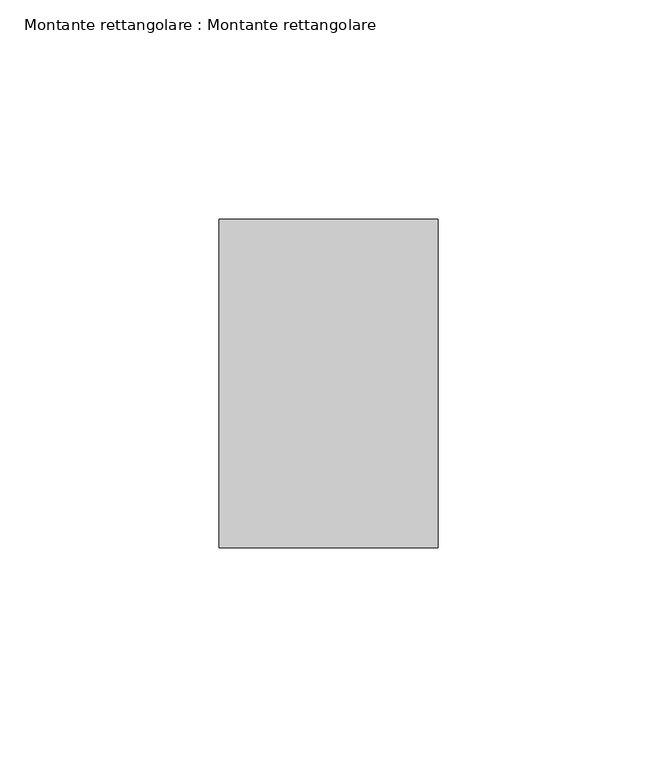
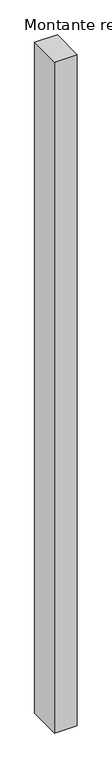
"""IFC4 building model written with IfcOpenShell, lengths in millimetres: member geometry, Montante rettangolare : Montante rettangolare."""

import ifcopenshell
import ifcopenshell.guid

model = None  # the IFC model being written
_history = None  # IfcOwnerHistory: only IFC2X3 demands one
_inside = {}  # id of a spatial element -> (the spatial element, [elements in it])
_under = {}  # id of a project, library or spatial element -> (it, [spatial elements below it])
_declared = {}  # id of a project -> (the project, [libraries it declares])
_typed = {}  # id of a type object -> (the type object, [elements of that type])
_made_of = {}  # id of a material, layer set ... -> (it, [elements and type objects made of it])


def new_model(schema):
    """Start an empty IFC model of exactly this schema.

    Asked for "IFC4X3", IfcOpenShell would pick the latest addendum, in which some entities
    have other attributes; the version numbers below select the first issue.
    IFC2X3 requires an IfcOwnerHistory on every rooted entity: one is made here for all.
    """
    global model, _history
    if schema == "IFC4X3":
        model = ifcopenshell.file(schema_version=(4, 3, 0, 0))
    else:
        model = ifcopenshell.file(schema=schema)
    _inside.clear()
    _under.clear()
    _declared.clear()
    _typed.clear()
    _made_of.clear()
    _history = None
    if model.schema == "IFC2X3":
        org = make("IfcOrganization", Name="unknown")
        user = make(
            "IfcPersonAndOrganization",
            ThePerson=make("IfcPerson", FamilyName="unknown"),
            TheOrganization=org,
        )
        app = make(
            "IfcApplication",
            ApplicationDeveloper=org,
            Version="unknown",
            ApplicationFullName="unknown",
            ApplicationIdentifier="unknown",
        )
        _history = make(
            "IfcOwnerHistory",
            OwningUser=user,
            OwningApplication=app,
            ChangeAction="ADDED",
            CreationDate=0,
        )
    return model


def make(cls, **values):
    """One entity of the class cls with the attributes given. An attribute that is None is left unset."""
    return model.create_entity(
        cls, **{name: value for name, value in values.items() if value is not None}
    )


def rooted(cls, **values):
    """An entity with a GlobalId (a new one), such as an element, a storey or a relation."""
    return make(cls, GlobalId=ifcopenshell.guid.new(), OwnerHistory=_history, **values)


def si_unit(unit_type, name, prefix=None):
    """IfcSIUnit, for example si_unit("LENGTHUNIT", "METRE", prefix="MILLI")."""
    return make("IfcSIUnit", UnitType=unit_type, Prefix=prefix, Name=name)


def assignment(units):
    """IfcUnitAssignment: the units of a project."""
    return None if units is None else make("IfcUnitAssignment", Units=units)


def point(xyz):
    """IfcCartesianPoint."""
    return None if xyz is None else make("IfcCartesianPoint", Coordinates=xyz)


def direction(xyz):
    """IfcDirection."""
    return None if xyz is None else make("IfcDirection", DirectionRatios=xyz)


def frame(location, z_axis=None, x_axis=None):
    """IfcAxis2Placement3D, a coordinate frame: its origin and axes. An axis left out is left unset."""
    return make(
        "IfcAxis2Placement3D",
        Location=point(location),
        Axis=direction(z_axis),
        RefDirection=direction(x_axis),
    )


def origin():
    """The frame at (0, 0, 0) with its axes left unset."""
    return frame((0.0, 0.0, 0.0))


def place(relative_to, where):
    """IfcLocalPlacement: puts the frame where relative to a parent placement (None: the world)."""
    return make(
        "IfcLocalPlacement", PlacementRelTo=relative_to, RelativePlacement=where
    )


def context(
    kind, dimensions, precision=None, world=None, true_north=None, identifier=None
):
    """IfcGeometricRepresentationContext, for example the 3D "Model" context."""
    return make(
        "IfcGeometricRepresentationContext",
        ContextIdentifier=identifier,
        ContextType=kind,
        CoordinateSpaceDimension=dimensions,
        Precision=precision,
        WorldCoordinateSystem=world,
        TrueNorth=true_north,
    )


def project(units=None, contexts=None):
    """IfcProject with its units and contexts."""
    return rooted(
        "IfcProject",
        Name="project",
        RepresentationContexts=contexts,
        UnitsInContext=assignment(units),
    )


def spatial(cls, under=None, at=None, **own):
    """A site, building, storey or space (cls), placed at a placement, below another one or the project."""
    s = rooted(cls, ObjectPlacement=at, **own)
    if under is not None:
        _under.setdefault(under.id(), (under, []))[1].append(s)
    return s


def polyline(points):
    """IfcPolyline through the points."""
    return make("IfcPolyline", Points=[point(p) for p in points])


def outline(outer, holes=None, kind="AREA"):
    """IfcArbitraryClosedProfileDef: a profile drawn as a closed curve; with holes, ...WithVoids."""
    if holes is None:
        return make("IfcArbitraryClosedProfileDef", ProfileType=kind, OuterCurve=outer)
    return make(
        "IfcArbitraryProfileDefWithVoids",
        ProfileType=kind,
        OuterCurve=outer,
        InnerCurves=holes,
    )


def extrude(swept, where, along, depth):
    """IfcExtrudedAreaSolid: the profile swept, set in the frame where, extruded along a direction by depth."""
    return make(
        "IfcExtrudedAreaSolid",
        SweptArea=swept,
        Position=where,
        ExtrudedDirection=direction(along),
        Depth=depth,
    )


def shape(context_of_items, identifier, shape_type, items):
    """IfcShapeRepresentation: the items that make up one representation, for example the "Body"."""
    return make(
        "IfcShapeRepresentation",
        ContextOfItems=context_of_items,
        RepresentationIdentifier=identifier,
        RepresentationType=shape_type,
        Items=items,
    )


def source(mapping_origin, context_of_items, identifier, shape_type, items):
    """IfcRepresentationMap: a shape defined once, which mapped items show again and again."""
    return make(
        "IfcRepresentationMap",
        MappingOrigin=mapping_origin,
        MappedRepresentation=shape(context_of_items, identifier, shape_type, items),
    )


def transform(
    local_origin,
    x_axis=None,
    y_axis=None,
    z_axis=None,
    scale=None,
    scale2=None,
    scale3=None,
    uniform=True,
):
    """IfcCartesianTransformationOperator3D, or its non-uniform kind. x_axis, y_axis, z_axis: its Axis1, 2, 3."""
    if uniform:
        return make(
            "IfcCartesianTransformationOperator3D",
            Axis1=direction(x_axis),
            Axis2=direction(y_axis),
            LocalOrigin=point(local_origin),
            Scale=scale,
            Axis3=direction(z_axis),
        )
    return make(
        "IfcCartesianTransformationOperator3DnonUniform",
        Axis1=direction(x_axis),
        Axis2=direction(y_axis),
        LocalOrigin=point(local_origin),
        Scale=scale,
        Axis3=direction(z_axis),
        Scale2=scale2,
        Scale3=scale3,
    )


def mapped(mapping_source, mapping_target):
    """IfcMappedItem: shows the shape of a source again, moved by a transform."""
    return make(
        "IfcMappedItem", MappingSource=mapping_source, MappingTarget=mapping_target
    )


def made_of(thing, what):
    """Note that an element or type object is made of a material, layer set ...; save() writes the relation."""
    if what is not None:
        _made_of.setdefault(what.id(), (what, []))[1].append(thing)
    return thing


def element(
    cls,
    number,
    at=None,
    inside=None,
    cuts=None,
    type_object=None,
    material=None,
    context=None,
    identifier="Body",
    shape_type=None,
    held_by="IfcProductDefinitionShape",
    body=None,
    shapes=None,
    **own,
):
    """One element of the class cls, such as IfcWall. Its Tag is "e" and its number.

    at: its placement. inside: the storey or other place that contains it. cuts: it is an
    opening in that element (IfcRelVoidsElement). A single representation is given by context,
    identifier, shape_type and body (its items); several are given by shapes. held_by: the class
    of the entity that holds the representations. save() writes the other relations.
    """
    e = rooted(cls, Tag="e%d" % number, ObjectPlacement=at, **own)
    if body is not None:
        shapes = [shape(context, identifier, shape_type, body)]
    if shapes is not None:
        e.Representation = make(held_by, Representations=shapes)
    if inside is not None:
        _inside.setdefault(inside.id(), (inside, []))[1].append(e)
    if cuts is not None:
        rooted(
            "IfcRelVoidsElement", RelatingBuildingElement=cuts, RelatedOpeningElement=e
        )
    if type_object is not None:
        _typed.setdefault(type_object.id(), (type_object, []))[1].append(e)
    return made_of(e, material)


def aggregate(whole, parts):
    """IfcRelAggregates: a whole, such as a stair, and the parts it consists of."""
    return rooted("IfcRelAggregates", RelatingObject=whole, RelatedObjects=parts)


def save(model, path):
    """Write the relations noted so far, then the file.

    IfcRelAggregates (storeys below a building ...), IfcRelContainedInSpatialStructure (elements
    in a storey), IfcRelDefinesByType, IfcRelAssociatesMaterial and IfcRelDeclares: one each for
    every whole, place, type object, material and project.
    """
    for whole, parts in _under.values():
        aggregate(whole, parts)
    for where, things in _inside.values():
        rooted(
            "IfcRelContainedInSpatialStructure",
            RelatedElements=things,
            RelatingStructure=where,
        )
    for kind, things in _typed.values():
        rooted("IfcRelDefinesByType", RelatedObjects=things, RelatingType=kind)
    for what, things in _made_of.values():
        rooted("IfcRelAssociatesMaterial", RelatedObjects=things, RelatingMaterial=what)
    for by, libraries in _declared.values():
        rooted("IfcRelDeclares", RelatingContext=by, RelatedDefinitions=libraries)
    model.write(path)


def montante_rettangolare_montante_rettangolare_c2143621(model_context):
    return source(origin(), model_context, "Body", "SweptSolid", [
        extrude(outline(polyline([(25.0, 37.5), (25.0, -37.5), (-25.0, -37.5), (-25.0, 37.5), (25.0, 37.5)])), frame((0.0, 0.0, -1555.0), z_axis=(0.0, 0.0, 1.0), x_axis=(1.0, 0.0, 0.0)), (0.0, 0.0, 1.0), 1555.0),
    ])


if __name__ == "__main__":
    model = new_model("IFC4")
    model_context = context("Model", 3, world=origin())
    ifc_project = project(units=[si_unit("LENGTHUNIT", "METRE", prefix="MILLI")], contexts=[model_context])
    site = spatial("IfcSite", under=ifc_project)
    building = spatial("IfcBuilding", under=site)
    placement = place(None, origin())
    montante_rettangolare_montante_rettangolare_shape = montante_rettangolare_montante_rettangolare_c2143621(model_context)
    element("IfcMember", 1, ObjectType="Montante rettangolare : Montante rettangolare", at=placement, inside=building, context=model_context, shape_type="MappedRepresentation", body=[
        mapped(montante_rettangolare_montante_rettangolare_shape, transform((0.0, 0.0, 0.0), x_axis=(1.0, 0.0, 0.0), y_axis=(0.0, 1.0, 0.0), z_axis=(0.0, 0.0, 1.0))),
    ])
    save(model, "model.ifc")
